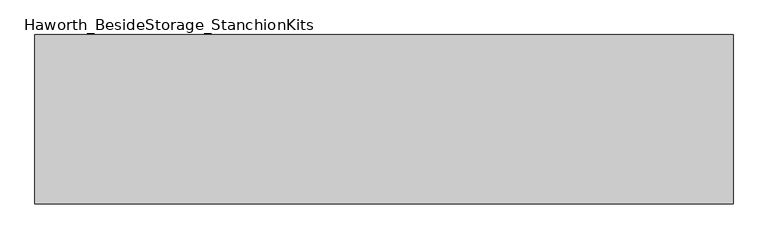
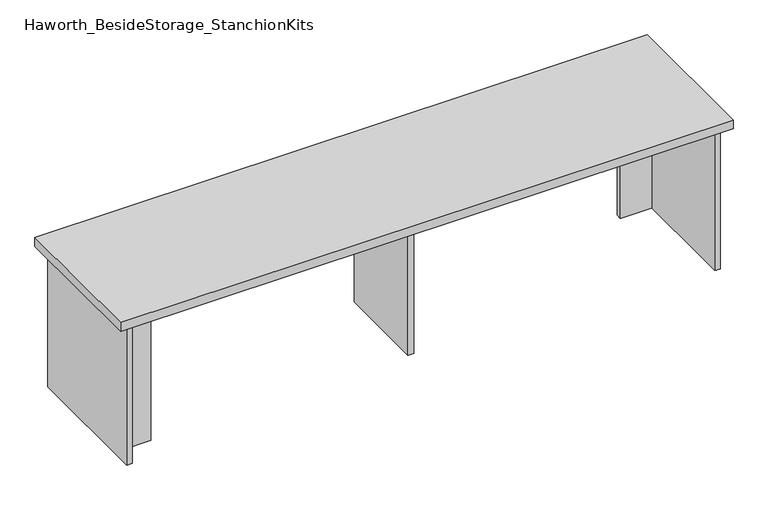
"""IFC4 building model written with IfcOpenShell, lengths in millimetres: furniture geometry, Haworth_BesideStorage_StanchionKits."""

from ifc_helpers import new_model, si_unit, frame, origin, place, context, project, spatial, polyline, outline, extrude, source, transform, mapped, element, save


def haworth_besidestorage_stanchionkits_14bd3743(model_context):
    return source(origin(), model_context, "Body", "SweptSolid", [
        extrude(outline(polyline([(1000.125, 0.0), (1000.125, -406.4), (-676.275, -406.4), (-676.275, 0.0), (1000.125, 0.0)])), frame((0.0, 0.0, 838.2), z_axis=(0.0, 0.0, 1.0), x_axis=(1.0, 0.0, 0.0)), (0.0, 0.0, 1.0), 25.4),
        extrude(outline(polyline([(873.125, -76.2), (958.85, -76.2), (958.85, -92.075), (873.125, -92.075), (873.125, -76.2)])), frame((0.0, 0.0, 431.8), z_axis=(0.0, 0.0, 1.0), x_axis=(1.0, 0.0, 0.0)), (0.0, 0.0, 1.0), 406.4),
        extrude(outline(polyline([(-549.275, -314.325), (-549.275, -330.2), (-635.0, -330.2), (-635.0, -314.325), (-549.275, -314.325)])), frame((0.0, 0.0, 431.8), z_axis=(0.0, 0.0, 1.0), x_axis=(1.0, 0.0, 0.0)), (0.0, 0.0, 1.0), 406.4),
        extrude(outline(polyline([(169.8625, -330.2), (153.9875, -330.2), (153.9875, -76.2), (169.8625, -76.2), (169.8625, -330.2)])), frame((0.0, 0.0, 431.8), z_axis=(0.0, 0.0, 1.0), x_axis=(1.0, 0.0, 0.0)), (0.0, 0.0, 1.0), 406.4),
        extrude(outline(polyline([(974.725, -390.525), (958.85, -390.525), (958.85, -15.875), (974.725, -15.875), (974.725, -390.525)])), frame((0.0, 0.0, 431.8), z_axis=(0.0, 0.0, 1.0), x_axis=(1.0, 0.0, 0.0)), (0.0, 0.0, 1.0), 406.4),
        extrude(outline(polyline([(-635.0, -390.525), (-650.875, -390.525), (-650.875, -15.875), (-635.0, -15.875), (-635.0, -390.525)])), frame((0.0, 0.0, 431.8), z_axis=(0.0, 0.0, 1.0), x_axis=(1.0, 0.0, 0.0)), (0.0, 0.0, 1.0), 406.4),
    ])


if __name__ == "__main__":
    model = new_model("IFC4")
    model_context = context("Model", 3, world=origin())
    ifc_project = project(units=[si_unit("LENGTHUNIT", "METRE", prefix="MILLI")], contexts=[model_context])
    site = spatial("IfcSite", under=ifc_project)
    building = spatial("IfcBuilding", under=site)
    placement = place(None, origin())
    haworth_besidestorage_stanchionkits_shape = haworth_besidestorage_stanchionkits_14bd3743(model_context)
    element("IfcFurniture", 1, ObjectType="Haworth_BesideStorage_StanchionKits", at=placement, inside=building, context=model_context, shape_type="MappedRepresentation", body=[
        mapped(haworth_besidestorage_stanchionkits_shape, transform((0.0, 0.0, 0.0), x_axis=(1.0, 0.0, 0.0), y_axis=(0.0, 1.0, 0.0), z_axis=(0.0, 0.0, 1.0))),
    ])
    save(model, "model.ifc")
